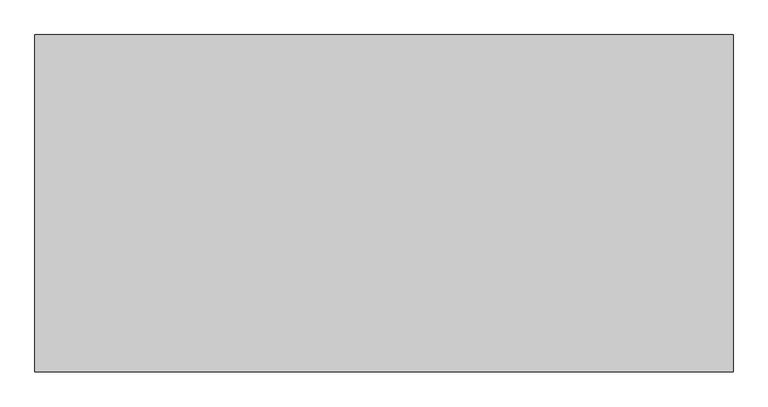
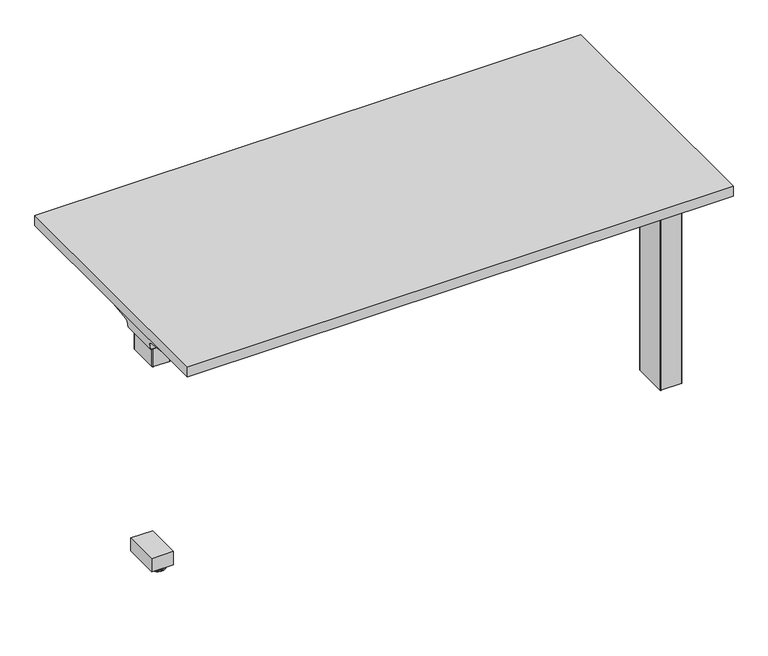
"""IFC4 building model written with IfcOpenShell, lengths in millimetres: furniture geometry."""

from ifc_helpers import new_model, si_unit, point, frame, frame_2d, origin, place, context, project, spatial, polyline, circle_curve, ellipse_curve, trimmed, segment, composite_curve, outline, extrude, faceted_brep, source, transform, mapped, element, save
from ifc_brep_helpers import plane_surface, cylinder_surface, revolved_surface, advanced_brep


def furniture_cd724efb(model_context):
    return source(origin(), model_context, "Body", "SolidModel", [
        advanced_brep(
        [(-696.976, 671.3030475, 10.2361894), (-696.976, 657.2832975, 10.2361894), (-696.976, 657.6704727, 8.7946116), (-696.976, 670.9158723, 8.7946116), (-696.976, 664.2931725, 10.2361894), (-696.976, 685.2500609, 0.0), (-696.976, 643.3362842, 0.0), (-696.976, 664.2931725, 0.0), (-696.976, 686.7937912, 1.5436985), (-696.976, 641.7925538, 1.5436985), (-696.976, 686.7937365, 4.1072626), (-696.976, 641.7926085, 4.1072626), (-696.976, 685.2538961, 5.9174378), (-696.976, 643.3324489, 5.9174378)],
        [
            (0, 1, circle_curve(frame((-696.976, 664.2931725, 10.2361894), z_axis=(0.0, 0.0, -1.0), x_axis=(0.0, -1.0000000000000004, 0.0)), 7.009875)),
            (1, 2),
            (2, 3, circle_curve(frame((-696.976, 664.2931725, 8.7946116), z_axis=(0.0, 0.0, 1.0), x_axis=(0.0, -1.0000000000000004, 0.0)), 6.6226998)),
            (3, 0),
            (1, 0, circle_curve(frame((-696.976, 664.2931725, 10.2361894), z_axis=(0.0, 0.0, -1.0), x_axis=(0.0, -1.0000000000000004, 0.0)), 7.009875)),
            (3, 2, circle_curve(frame((-696.976, 664.2931725, 8.7946116), z_axis=(0.0, 0.0, 1.0), x_axis=(0.0, -1.0000000000000004, 0.0)), 6.6226998)),
            (4, 1),
            (0, 4),
            (5, 6, circle_curve(frame((-696.976, 664.2931725, 0.0), z_axis=(0.0, 0.0, -1.0), x_axis=(0.0, -1.0000000000000004, 0.0)), 20.9568884)),
            (6, 7),
            (7, 5),
            (6, 5, circle_curve(frame((-696.976, 664.2931725, 0.0), z_axis=(0.0, 0.0, -1.0), x_axis=(0.0, -1.0000000000000004, 0.0)), 20.9568884)),
            (8, 9, circle_curve(frame((-696.976, 664.2931725, 1.5436985), z_axis=(0.0, 0.0, -1.0), x_axis=(0.0, -1.0000000000000004, 0.0)), 22.5006187)),
            (9, 6),
            (5, 8),
            (9, 8, circle_curve(frame((-696.976, 664.2931725, 1.5436985), z_axis=(0.0, 0.0, -1.0), x_axis=(0.0, -1.0000000000000004, 0.0)), 22.5006187)),
            (10, 11, circle_curve(frame((-696.976, 664.2931725, 4.1072626), z_axis=(0.0, 0.0, -1.0), x_axis=(0.0, -1.0000000000000004, 0.0)), 22.500564)),
            (11, 9),
            (8, 10),
            (11, 10, circle_curve(frame((-696.976, 664.2931725, 4.1072626), z_axis=(0.0, 0.0, -1.0), x_axis=(0.0, -1.0000000000000004, 0.0)), 22.500564)),
            (12, 13, circle_curve(frame((-696.976, 664.2931725, 5.9174378), z_axis=(0.0, 0.0, -1.0), x_axis=(0.0, -1.0000000000000004, 0.0)), 20.9607236)),
            (13, 11),
            (10, 12),
            (13, 12, circle_curve(frame((-696.976, 664.2931725, 5.9174378), z_axis=(0.0, 0.0, -1.0), x_axis=(0.0, -1.0000000000000004, 0.0)), 20.9607236)),
            (2, 13),
            (12, 3),
        ],
        [
            revolved_surface(polyline([(-696.976, 657.6704727, 8.7946116), (-696.976, 657.2832975, 10.2361894)]), (-696.976, 664.2931725, 0.0), (0.0, 0.0, 1.0)),
            plane_surface(frame((-696.976, 664.2931725, 10.2361894), z_axis=(0.0, 0.0, 1.0), x_axis=(0.0, -1.0, 0.0))),
            plane_surface(frame((-696.976, 664.2931725, 0.0), z_axis=(0.0, 0.0, -1.0), x_axis=(0.0, -1.0, 0.0))),
            revolved_surface(polyline([(-696.976, 643.3362842, 0.0), (-696.976, 641.7925538, 1.5436985)]), (-696.976, 664.2931725, 0.0), (0.0, 0.0, 1.0)),
            cylinder_surface(frame((-696.976, 664.2931725, 0.0), z_axis=(0.0, 0.0, 1.0), x_axis=(0.0, -1.0000000000000004, 0.0)), 22.500564),
            revolved_surface(polyline([(-696.976, 641.792463, 4.1072626), (-696.976, 643.3324489, 5.9174378)]), (-696.976, 664.2931725, 0.0), (0.0, 0.0, 1.0)),
            revolved_surface(polyline([(-696.976, 643.3324489, 5.9174378), (-696.976, 657.6704727, 8.7946116)]), (-696.976, 664.2931725, 0.0), (0.0, 0.0, 1.0)),
        ],
        [
            (0, [[1, 2, 3, 4]]),
            (0, [[5, -4, 6, -2]]),
            (1, [[7, -1, 8]]),
            (1, [[-8, -5, -7]]),
            (2, [[9, 10, 11]]),
            (2, [[12, -11, -10]]),
            (3, [[13, 14, -9, 15]]),
            (3, [[16, -15, -12, -14]]),
            (4, [[17, 18, -13, 19]]),
            (4, [[20, -19, -16, -18]]),
            (5, [[21, 22, -17, 23]]),
            (5, [[24, -23, -20, -22]]),
            (6, [[-3, 25, -21, 26]]),
            (6, [[-6, -26, -24, -25]]),
        ],
    ),
        extrude(outline(polyline([(-667.0675, 738.9199959), (-667.0675, 639.5370001), (-726.8845, 639.5370001), (-726.8845, 738.9199959), (-667.0675, 738.9199959)])), frame((0.0, 0.0, 10.2361894), z_axis=(0.0, 0.0, 1.0), x_axis=(1.0, 0.0, 0.0)), (0.0, 0.0, 1.0), 37.8638679),
        faceted_brep([(551.2773962, 743.2522588, 622.0870648), (551.2773962, 748.3511664, 622.688627), (551.2773962, 753.179578, 624.4650084), (551.2773962, 757.4755731, 627.3308218), (551.2773962, 760.99538, 631.1414904), (551.2773962, 786.0990076, 665.7838526), (551.2773962, 785.360508, 666.3190068), (551.2773962, 760.2568895, 631.6766321), (551.2773962, 756.8835852, 628.0245295), (551.2773962, 752.7663947, 625.2780401), (551.2773962, 748.1389518, 623.5755641), (551.2773962, 743.2522588, 622.9990731), (551.2773962, 593.7736376, 622.9990731), (551.2773962, 588.8869809, 623.5755641), (551.2773962, 584.2595199, 625.2780401), (551.2773962, 580.1423112, 628.0245295), (551.2773962, 576.7689978, 631.6766321), (551.2773962, 551.6028741, 666.4052536), (551.2773962, 528.9092425, 703.1651011), (551.2773962, 527.840388, 703.1651011), (551.2773962, 550.8643926, 665.8701118), (551.2773962, 576.0305164, 631.1414904), (551.2773962, 579.5503324, 627.3308218), (551.2773962, 583.8463275, 624.4650084), (551.2773962, 588.6747573, 622.6885906), (551.2773962, 593.7736376, 622.0870648), (-551.4619573, 743.2522588, 622.0870648), (-551.4619573, 593.7736376, 622.0870648), (-551.4619573, 588.6747573, 622.6885906), (-551.4619573, 583.8463275, 624.4650084), (-551.4619573, 579.5503324, 627.3308218), (-551.4619573, 576.0305164, 631.1414904), (-551.4619573, 550.8643926, 665.8701118), (-551.4619573, 527.0840775, 704.390196), (-551.4619573, 528.1529322, 704.390196), (-551.4619573, 551.6028741, 666.4052536), (-551.4619573, 576.7689978, 631.6766321), (-551.4619573, 580.1423112, 628.0245295), (-551.4619573, 584.2595199, 625.2780401), (-551.4619573, 588.8869809, 623.5755641), (-551.4619573, 593.7736376, 622.9990731), (-551.4619573, 743.2522588, 622.9990731), (-551.4619573, 748.1389518, 623.5755641), (-551.4619573, 752.7663947, 625.2780401), (-551.4619573, 756.8835852, 628.0245295), (-551.4619573, 760.2568895, 631.6766321), (-551.4619573, 785.360508, 666.3190068), (-551.4619573, 786.0990076, 665.7838526), (-551.4619573, 760.99538, 631.1414904), (-551.4619573, 757.4755731, 627.3308218), (-551.4619573, 753.179578, 624.4650084), (-551.4619573, 748.3511664, 622.688627), (-482.0287306, 551.5397869, 666.4923122), (-481.1019993, 551.6028741, 666.4052536), (-477.6673689, 551.8366861, 666.0825989), (-97.8762341, 551.8366861, 666.0825989), (-84.3911169, 552.4282184, 665.266299), (-80.6274527, 553.6086721, 663.6373024), (-76.7784871, 555.4622116, 661.0794643), (-66.2573996, 570.8388091, 639.8601442), (-62.408434, 572.6923486, 637.3023062), (-58.0170596, 574.0696277, 635.4016954), (-53.2522341, 574.9177755, 634.2312727), (-48.2969407, 575.2041425, 633.8360933), (54.4117723, 575.2041425, 633.8360933), (59.3670657, 574.9177755, 634.2312727), (64.1319638, 574.0696277, 635.4016954), (68.5232656, 572.6923486, 637.3023062), (72.3723039, 570.8388091, 639.8601442), (82.8933187, 555.4622116, 661.0794643), (86.742357, 553.6086721, 663.6373024), (92.3919689, 551.8366861, 666.0825989), (480.5231429, 551.8366861, 666.0825989), (483.9577733, 551.6028741, 666.4052536), (484.8845046, 551.5397869, 666.4923122), (489.0142671, 550.8037349, 667.699724), (492.6928943, 549.605542, 669.6405939), (495.725122, 548.0181204, 672.2119486), (515.9901641, 534.6038607, 693.9407822), (518.011625, 533.5455946, 695.6549944), (520.4640916, 532.7467694, 696.9489561), (523.2172666, 532.2498254, 697.7539215), (526.1248653, 532.0812313, 698.0270153), (-523.2690912, 532.0812313, 698.0270153), (-520.3614926, 532.2498254, 697.7539215), (-517.6083176, 532.7467694, 696.9489561), (-515.155851, 533.5455946, 695.6549944), (-513.1343901, 534.6038607, 693.9407822), (-492.869348, 548.0181204, 672.2119486), (-489.8371203, 549.605542, 669.6405939), (-486.1584931, 550.8037349, 667.699724), (526.1248653, 531.0123774, 698.0270153), (523.2172666, 531.1809714, 697.7539215), (520.4640916, 531.6779156, 696.9489561), (518.011625, 532.4767409, 695.6549944), (515.9901641, 533.5350072, 693.9407822), (495.725122, 546.9492694, 672.2119486), (492.6928943, 548.5366913, 669.6405939), (489.0142671, 549.7348843, 667.699724), (484.8845046, 550.4802781, 666.4923122), (480.5231429, 550.7332141, 666.0825989), (92.3919689, 550.7332141, 666.0825989), (91.9010389, 550.8643926, 665.8701118), (-94.3659891, 550.8643926, 665.8701118), (-97.8762341, 550.7332141, 666.0825989), (-477.6673689, 550.7332141, 666.0825989), (-482.0287306, 550.4802781, 666.4923122), (-486.1584931, 549.7348843, 667.699724), (-489.8371203, 548.5366913, 669.6405939), (-492.869348, 546.9492694, 672.2119486), (-513.1343901, 533.5350072, 693.9407822), (-515.155851, 532.4767409, 695.6549944), (-517.6083176, 531.6779156, 696.9489561), (-520.3614926, 531.1809714, 697.7539215), (-523.2690912, 531.0123774, 698.0270153), (86.742357, 552.4823998, 663.6373024), (82.8933187, 554.3359392, 661.0794643), (72.3723039, 569.7125368, 639.8601442), (68.5232656, 571.5660762, 637.3023062), (64.1319638, 572.9433553, 635.4016954), (59.3670657, 573.7915031, 634.2312727), (54.4117723, 574.0778701, 633.8360933), (-48.2969407, 574.0778701, 633.8360933), (-53.2522341, 573.7915031, 634.2312727), (-58.0170596, 572.9433553, 635.4016954), (-62.408434, 571.5660762, 637.3023062), (-66.2573996, 569.7125368, 639.8601442), (-76.7784871, 554.3359392, 661.0794643), (-80.6274527, 552.4823998, 663.6373024), (-84.3911169, 551.3019461, 665.266299)], [[[0, 1, 2, 3, 4, 5, 6, 7, 8, 9, 10, 11, 12, 13, 14, 15, 16, 17, 18, 19, 20, 21, 22, 23, 24, 25]], [[26, 27, 28, 29, 30, 31, 32, 33, 34, 35, 36, 37, 38, 39, 40, 41, 42, 43, 44, 45, 46, 47, 48, 49, 50, 51]], [[1, 0, 26, 51]], [[2, 1, 51, 50]], [[3, 2, 50, 49]], [[4, 3, 49, 48]], [[5, 4, 48, 47]], [[6, 5, 47, 46]], [[7, 6, 46, 45]], [[8, 7, 45, 44]], [[9, 8, 44, 43]], [[10, 9, 43, 42]], [[11, 10, 42, 41]], [[12, 11, 41, 40]], [[13, 12, 40, 39]], [[14, 13, 39, 38]], [[15, 14, 38, 37]], [[16, 15, 37, 36]], [[22, 21, 31, 30]], [[23, 22, 30, 29]], [[24, 23, 29, 28]], [[25, 24, 28, 27]], [[0, 25, 27, 26]], [[17, 16, 36, 35, 52, 53, 54, 55, 56, 57, 58, 59, 60, 61, 62, 63, 64, 65, 66, 67, 68, 69, 70, 71, 72, 73, 74]], [[18, 17, 74, 75, 76, 77, 78, 79, 80, 81, 82]], [[35, 34, 83, 84, 85, 86, 87, 88, 89, 90, 52]], [[20, 19, 91, 92, 93, 94, 95, 96, 97, 98, 99, 100, 101, 102]], [[33, 32, 103, 104, 105, 106, 107, 108, 109, 110, 111, 112, 113, 114]], [[21, 20, 102, 115, 116, 117, 118, 119, 120, 121, 122, 123, 124, 125, 126, 127, 128, 129, 103, 32, 31]], [[100, 72, 71, 101]], [[129, 56, 55, 104, 103]], [[104, 55, 54, 105]], [[105, 54, 53, 52, 106]], [[106, 52, 90, 107]], [[107, 90, 89, 108]], [[108, 89, 88, 109]], [[109, 88, 87, 110]], [[110, 87, 86, 111]], [[111, 86, 85, 112]], [[112, 85, 84, 113]], [[113, 84, 83, 114]], [[91, 82, 81, 92]], [[92, 81, 80, 93]], [[93, 80, 79, 94]], [[94, 79, 78, 95]], [[95, 78, 77, 96]], [[96, 77, 76, 97]], [[97, 76, 75, 98]], [[98, 75, 74, 99]], [[72, 100, 99, 74, 73]], [[101, 71, 70, 115, 102]], [[115, 70, 69, 116]], [[116, 69, 68, 117]], [[117, 68, 67, 118]], [[118, 67, 66, 119]], [[119, 66, 65, 120]], [[120, 65, 64, 121]], [[121, 64, 63, 122]], [[122, 63, 62, 123]], [[123, 62, 61, 124]], [[124, 61, 60, 125]], [[125, 60, 59, 126]], [[126, 59, 58, 127]], [[127, 58, 57, 128]], [[56, 129, 128, 57]], [[114, 83, 34, 33]], [[82, 91, 19, 18]]]),
        extrude(outline(polyline([(-747.776, 434.1876), (-747.776, 1157.3256), (747.776, 1157.3256), (747.776, 434.1876), (-747.776, 434.1876)])), frame((0.0, 0.0, 707.009), z_axis=(0.0, 0.0, 1.0), x_axis=(1.0, 0.0, 0.0)), (0.0, 0.0, 1.0), 29.591),
        advanced_brep(
        [(731.4406297, 635.7959426, 658.5915733), (565.7122138, 635.7959426, 658.5915733), (580.0924181, 638.024396, 655.9442785), (728.9518591, 638.024396, 655.9442785), (731.6625278, 635.7869568, 658.8276054), (734.0619089, 635.1429301, 675.7443054), (551.2773962, 635.1429301, 675.7443054), (551.2773962, 635.4909163, 666.6037253), (554.1075093, 635.572107, 664.4710821), (554.2501644, 635.6497731, 662.4310191), (734.9185362, 629.6758947, 681.7839076), (551.2773962, 629.6758947, 681.7839076), (737.4393767, 515.1046903, 699.5569507), (673.2243442, 515.1046903, 699.5569507), (551.2773962, 595.9094128, 687.0219877), (737.5128152, 511.3286853, 700.0747243), (678.9229255, 511.3286853, 700.0747243), (738.1871296, 509.8184289, 704.8289399), (736.4021288, 512.395324, 707.009), (677.3132011, 512.395324, 707.009), (738.1871296, 868.7919968, 704.8289399), (737.5128152, 867.2817403, 700.0747243), (678.9229255, 867.2817403, 700.0747243), (677.3132011, 866.2151016, 707.009), (736.4021288, 866.2151016, 707.009), (737.4393767, 863.5057353, 699.5569507), (673.2243442, 863.5057353, 699.5569507), (734.9185362, 748.9345309, 681.7839076), (551.2773962, 748.9345309, 681.7839076), (551.2773962, 782.7010128, 687.0219877), (734.0619089, 743.4674955, 675.7443054), (551.2773962, 743.4674955, 675.7443054), (731.6625278, 742.8234688, 658.8276054), (731.4406297, 742.814483, 658.5915733), (565.7122138, 742.814483, 658.5915733), (554.2501644, 742.9606525, 662.4310191), (554.1075093, 743.0383186, 664.4710821), (551.2773962, 743.1195093, 666.6037253), (728.9518591, 740.5860297, 655.9442785), (580.0924181, 740.5860297, 655.9442785), (551.2773962, 782.7010128, 707.009), (551.2773962, 595.9094128, 707.009)],
        [
            (0, 1),
            (1, 2, ellipse_curve(frame((589.9936465, 558.7582119, 750.1086722), z_axis=(0.0, -0.7650318638532659, -0.6439924279750484), x_axis=(0.0, -0.6439924279750484, 0.7650318638532659)), 123.7641411, 94.6835116)),
            (2, 3),
            (3, 0),
            (0, 4),
            (4, 5),
            (5, 6),
            (6, 7),
            (7, 8),
            (8, 9),
            (9, 1, ellipse_curve(frame((589.9936465, 632.3118442, 750.1086722), z_axis=(0.0, -0.999276106683639, -0.038042904873162565), x_axis=(0.0, -0.03804290487316395, 0.999276106683639)), 94.752102, 94.6835116)),
            (5, 10, ellipse_curve(frame((734.0119691, 628.6843719, 675.3922075), z_axis=(0.9900906714849619, 0.0, -0.14042956326378436), x_axis=(0.14042956326378456, 0.0, 0.9900906714849619)), 6.5328852, 6.4681487)),
            (10, 11),
            (11, 6, circle_curve(frame((551.2773962, 628.6843719, 675.3922075), z_axis=(-1.0, 0.0, 0.0), x_axis=(0.0, -1.0000000000000004, 0.0)), 6.4681487)),
            (10, 12),
            (12, 13),
            (13, 14),
            (14, 11),
            (12, 15),
            (15, 16),
            (16, 13),
            (15, 17, ellipse_curve(frame((737.9730772, 513.3058017, 703.3197755), z_axis=(-0.9900906714849619, 0.0, 0.14042956326378436), x_axis=(-0.14042956326378456, 0.0, -0.9900906714849619)), 3.8379455, 3.7999141)),
            (17, 18, ellipse_curve(frame((739.422811, 513.3058017, 703.3197755), z_axis=(-0.7737284588432122, 0.0, -0.6335173809581768), x_axis=(-0.6335173809581769, 0.0, 0.7737284588432121)), 4.9111727, 3.7999141)),
            (18, 19),
            (19, 16, ellipse_curve(frame((675.939148, 513.3058017, 703.3197755), z_axis=(0.5523637579768934, 0.8336031902971845, 0.0), x_axis=(-0.8336031902971844, 0.5523637579768934, 0.0)), 6.8793689, 3.7999141)),
            (20, 21, ellipse_curve(frame((737.9730772, 865.3046239, 703.3197755), z_axis=(-0.9900906714849619, 0.0, 0.14042956326378436), x_axis=(-0.14042956326378456, 0.0, -0.9900906714849619)), 3.8379455, 3.7999141)),
            (21, 22),
            (22, 23, ellipse_curve(frame((675.939148, 865.3046239, 703.3197755), z_axis=(0.5523637579749596, -0.833603190298466, 0.0), x_axis=(-0.8336031902984657, -0.5523637579749597, 0.0)), 6.8793689, 3.7999141)),
            (23, 24),
            (24, 20, ellipse_curve(frame((739.422811, 865.3046239, 703.3197755), z_axis=(-0.7737284588432122, 0.0, -0.6335173809581768), x_axis=(-0.6335173809581769, 0.0, 0.7737284588432121)), 4.9111727, 3.7999141)),
            (21, 25),
            (25, 26),
            (26, 22),
            (27, 28),
            (28, 29),
            (29, 26),
            (25, 27),
            (27, 30, ellipse_curve(frame((734.0119691, 749.9260537, 675.3922075), z_axis=(0.9900906714849619, 0.0, -0.14042956326378436), x_axis=(0.14042956326378456, 0.0, 0.9900906714849619)), 6.5328852, 6.4681487)),
            (30, 31),
            (31, 28, circle_curve(frame((551.2773962, 749.9260537, 675.3922075), z_axis=(-1.0, 0.0, 0.0), x_axis=(0.0, -1.0000000000000004, 0.0)), 6.4681487)),
            (30, 32),
            (32, 33),
            (33, 34),
            (34, 35, ellipse_curve(frame((589.9936465, 746.2985814, 750.1086722), z_axis=(0.0, 0.9992761066836363, -0.0380429048732354), x_axis=(0.0, -0.0380429048732312, -0.9992761066836363)), 94.752102, 94.6835116)),
            (35, 36),
            (36, 37),
            (37, 31),
            (33, 38),
            (38, 39),
            (39, 34, ellipse_curve(frame((589.9936465, 819.8522137, 750.1086722), z_axis=(0.0, 0.7650318638534731, -0.6439924279748023), x_axis=(0.0, -0.6439924279748023, -0.765031863853473)), 123.7641411, 94.6835116)),
            (4, 32),
            (20, 17),
            (24, 18),
            (23, 40),
            (40, 41),
            (41, 19),
            (37, 7),
            (14, 41),
            (40, 29),
            (36, 8),
            (35, 9),
            (39, 2),
            (38, 3),
        ],
        [
            plane_surface(frame((754.4773962, 638.024396, 655.9442785), z_axis=(0.0, -0.7650318638532659, -0.6439924279750484), x_axis=(-1.0, 0.0, 0.0))),
            plane_surface(frame((754.4773962, 635.7959426, 658.5915733), z_axis=(0.0, -0.999276106683639, -0.038042904873162565), x_axis=(-1.0, 0.0, 0.0))),
            revolved_surface(polyline([(734.9293793154884, 622.2162232, 675.3922075), (551.2773961999999, 622.2162232, 675.3922075)]), (754.4773962, 628.6843719, 675.3922075), (1.0000000000000004, 0.0, 0.0)),
            plane_surface(frame((754.4773962, 629.6758947, 681.7839076), z_axis=(0.0, -0.15329313587139595, -0.9881807600306302), x_axis=(-1.0, 0.0, 0.0))),
            plane_surface(frame((754.4773962, 515.1046903, 699.5569507), z_axis=(0.0, -0.13585085469026897, -0.9907292996979162), x_axis=(-1.0, 0.0, 0.0))),
            cylinder_surface(frame((754.4773962, 513.3058017, 703.3197755), z_axis=(-1.0000000000000004, 0.0, 0.0), x_axis=(0.0, -1.0000000000000004, 0.0)), 3.7999141),
            cylinder_surface(frame((754.4773962, 865.3046239, 703.3197755), z_axis=(-1.0000000000000004, 0.0, 0.0), x_axis=(0.0, -1.0000000000000004, 0.0)), 3.7999141),
            plane_surface(frame((754.4773962, 867.2817403, 700.0747243), z_axis=(0.0, 0.135850854687912, -0.9907292996982394), x_axis=(-1.0, 0.0, 0.0))),
            plane_surface(frame((754.4773962, 863.5057353, 699.5569507), z_axis=(0.0, 0.15329313587140656, -0.9881807600306285), x_axis=(-1.0, 0.0, 0.0))),
            revolved_surface(polyline([(734.9293793154884, 743.457905, 675.3922075), (551.2773961999999, 743.457905, 675.3922075)]), (754.4773962, 749.9260537, 675.3922075), (1.0000000000000004, 0.0, 0.0)),
            plane_surface(frame((754.4773962, 743.4674955, 675.7443054), z_axis=(0.0, 0.9992761066836363, -0.0380429048732354), x_axis=(-1.0, 0.0, 0.0))),
            plane_surface(frame((754.4773962, 742.814483, 658.5915733), z_axis=(0.0, 0.7650318638534731, -0.6439924279748023), x_axis=(-1.0, 0.0, 0.0))),
            plane_surface(frame((731.6625278, 498.8052128, 658.8276054), z_axis=(0.9900906714849619, 0.0, -0.14042956326378436), x_axis=(0.0, 1.0, 0.0))),
            plane_surface(frame((738.1871296, 498.8052128, 704.8289399), z_axis=(0.7737284588432122, 0.0, 0.6335173809581768), x_axis=(0.0, 1.0, 0.0))),
            plane_surface(frame((736.4021288, 498.8052128, 707.009), z_axis=(0.0, 0.0, 1.0), x_axis=(0.0, 1.0, 0.0))),
            plane_surface(frame((551.2773962, 498.8052128, 707.009), z_axis=(-1.0, 0.0, 0.0), x_axis=(0.0, 1.0, 0.0))),
            plane_surface(frame((551.2773962, 498.8052128, 666.6037253), z_axis=(-0.6018150231516274, 0.0, -0.79863551004761), x_axis=(0.0, 1.0, 0.0))),
            plane_surface(frame((554.1075093, 498.8052128, 664.4710821), z_axis=(-0.9975640502599595, 0.0, -0.06975647374219096), x_axis=(0.0, 1.0, 0.0))),
            cylinder_surface(frame((589.9936465, 498.8052128, 750.1086722), z_axis=(0.0, -1.0000000000000004, 0.0), x_axis=(-1.0000000000000004, 0.0, 0.0)), 94.6835116),
            plane_surface(frame((580.0924181, 498.8052128, 655.9442785), z_axis=(0.0, 0.0, -1.0), x_axis=(0.0, 1.0, 0.0))),
            plane_surface(frame((728.9518591, 498.8052128, 655.9442785), z_axis=(0.7285846064197381, 0.0, -0.6849558170336212), x_axis=(0.0, 1.0, 0.0))),
            plane_surface(frame((697.8228017, 498.8052128, 707.009), z_axis=(-0.5523637579768934, -0.8336031902971845, 0.0), x_axis=(0.0, 0.0, -1.0))),
            plane_surface(frame((551.2773962, 782.7010128, 707.009), z_axis=(-0.5523637579749596, 0.833603190298466, 0.0), x_axis=(0.0, 0.0, -1.0))),
        ],
        [
            (0, [[1, 2, 3, 4]]),
            (1, [[-1, 5, 6, 7, 8, 9, 10, 11]]),
            (2, [[-7, 12, 13, 14]]),
            (3, [[-13, 15, 16, 17, 18]]),
            (4, [[19, 20, 21, -16]]),
            (5, [[22, 23, 24, 25, -20]]),
            (6, [[26, 27, 28, 29, 30]]),
            (7, [[31, 32, 33, -27]]),
            (8, [[34, 35, 36, -32, 37]]),
            (9, [[-34, 38, 39, 40]]),
            (10, [[-39, 41, 42, 43, 44, 45, 46, 47]]),
            (11, [[-43, 48, 49, 50]]),
            (12, [[51, -41, -38, -37, -31, -26, 52, -22, -19, -15, -12, -6]]),
            (13, [[-52, -30, 53, -23]]),
            (14, [[-53, -29, 54, 55, 56, -24]]),
            (15, [[57, -8, -14, -18, 58, -55, 59, -35, -40, -47]]),
            (16, [[-57, -46, 60, -9]]),
            (17, [[-60, -45, 61, -10]]),
            (18, [[-61, -44, -50, 62, -2, -11]]),
            (19, [[-62, -49, 63, -3]]),
            (20, [[-51, -5, -4, -63, -48, -42]]),
            (21, [[-56, -58, -17, -21, -25]]),
            (22, [[-54, -28, -33, -36, -59]]),
        ],
    ),
        advanced_brep(
        [(-565.7122138, 635.7959426, 658.5915733), (-731.4406297, 635.7959426, 658.5915733), (-728.9518591, 638.024396, 655.9442785), (-580.0924181, 638.024396, 655.9442785), (-554.2501644, 635.6497731, 662.4310191), (-554.1075093, 635.572107, 664.4710821), (-551.4619573, 635.496211, 666.4646485), (-551.4619573, 635.1429301, 675.7443054), (-734.0619089, 635.1429301, 675.7443054), (-731.6625278, 635.7869568, 658.8276054), (-551.4619573, 629.6758947, 681.7839076), (-734.9185362, 629.6758947, 681.7839076), (-551.4619573, 595.9162175, 687.0209321), (-673.2570453, 515.1046903, 699.5569507), (-737.4393767, 515.1046903, 699.5569507), (-737.5128152, 511.3286853, 700.0747243), (-678.9480509, 511.3286853, 700.0747243), (-738.1871296, 509.8184289, 704.8289399), (-677.3404665, 512.395324, 707.009), (-736.4021288, 512.395324, 707.009), (-737.5128152, 867.2817403, 700.0747243), (-738.1871296, 868.7919968, 704.8289399), (-736.4021288, 866.2151016, 707.009), (-677.3404665, 866.2151016, 707.009), (-678.9480509, 867.2817403, 700.0747243), (-737.4393767, 863.5057353, 699.5569507), (-673.2570453, 863.5057353, 699.5569507), (-551.4619573, 748.9345309, 681.7839076), (-734.9185362, 748.9345309, 681.7839076), (-551.4619573, 782.6942081, 687.0209321), (-551.4619573, 743.4674955, 675.7443054), (-734.0619089, 743.4674955, 675.7443054), (-551.4619573, 743.1142146, 666.4646485), (-554.1075093, 743.0383186, 664.4710821), (-554.2501644, 742.9606525, 662.4310191), (-565.7122138, 742.814483, 658.5915733), (-731.4406297, 742.814483, 658.5915733), (-731.6625278, 742.8234688, 658.8276054), (-580.0924181, 740.5860297, 655.9442785), (-728.9518591, 740.5860297, 655.9442785), (-551.4619573, 595.9162175, 707.009), (-551.4619573, 782.6942081, 707.009)],
        [
            (0, 1),
            (1, 2),
            (2, 3),
            (3, 0, ellipse_curve(frame((-589.9936465, 558.7582119, 750.1086722), z_axis=(0.0, -0.7650318638532563, -0.6439924279750598), x_axis=(0.0, 0.64399242797506, -0.7650318638532563)), 123.7641411, 94.6835116)),
            (0, 4, ellipse_curve(frame((-589.9936465, 632.3118442, 750.1086722), z_axis=(0.0, -0.9992761066836392, -0.03804290487315863), x_axis=(0.0, 0.038042904873156216, -0.9992761066836392)), 94.752102, 94.6835116)),
            (4, 5),
            (5, 6),
            (6, 7),
            (7, 8),
            (8, 9),
            (9, 1),
            (7, 10, circle_curve(frame((-551.4619573, 628.6843719, 675.3922075), z_axis=(1.0, 0.0, 0.0), x_axis=(0.0, -1.0000000000000004, 0.0)), 6.4681487)),
            (10, 11),
            (11, 8, ellipse_curve(frame((-734.0119691, 628.6843719, 675.3922075), z_axis=(-0.9900906714849659, 0.0, -0.14042956326375675), x_axis=(0.14042956326375614, 0.0, -0.990090671484966)), 6.5328852, 6.4681487)),
            (10, 12),
            (12, 13),
            (13, 14),
            (14, 11),
            (15, 14),
            (13, 16),
            (16, 15),
            (17, 15, ellipse_curve(frame((-737.9730772, 513.3058017, 703.3197755), z_axis=(0.9900906714849659, 0.0, 0.14042956326375675), x_axis=(-0.14042956326375614, 0.0, 0.990090671484966)), 3.8379455, 3.7999141)),
            (16, 18, ellipse_curve(frame((-675.96824, 513.3058017, 703.3197755), z_axis=(-0.5528743936295184, 0.8332646067539367, 0.0), x_axis=(-0.8332646067539364, -0.5528743936295185, 0.0)), 6.8730151, 3.7999141)),
            (18, 19),
            (19, 17, ellipse_curve(frame((-739.422811, 513.3058017, 703.3197755), z_axis=(0.7737284588399557, 0.0, -0.6335173809621544), x_axis=(-0.6335173809621537, 0.0, -0.7737284588399559)), 4.9111727, 3.7999141)),
            (20, 21, ellipse_curve(frame((-737.9730772, 865.3046239, 703.3197755), z_axis=(0.9900906714849659, 0.0, 0.14042956326375675), x_axis=(-0.14042956326375614, 0.0, 0.990090671484966)), 3.8379455, 3.7999141)),
            (21, 22, ellipse_curve(frame((-739.422811, 865.3046239, 703.3197755), z_axis=(0.7737284588399557, 0.0, -0.6335173809621544), x_axis=(-0.6335173809621537, 0.0, -0.7737284588399559)), 4.9111727, 3.7999141)),
            (22, 23),
            (23, 24, ellipse_curve(frame((-675.96824, 865.3046239, 703.3197755), z_axis=(-0.5528743936295097, -0.8332646067539423, 0.0), x_axis=(-0.8332646067539422, 0.5528743936295099, 0.0)), 6.8730151, 3.7999141)),
            (24, 20),
            (25, 20),
            (24, 26),
            (26, 25),
            (27, 28),
            (28, 25),
            (26, 29),
            (29, 27),
            (27, 30, circle_curve(frame((-551.4619573, 749.9260537, 675.3922075), z_axis=(1.0, 0.0, 0.0), x_axis=(0.0, -1.0000000000000004, 0.0)), 6.4681487)),
            (30, 31),
            (31, 28, ellipse_curve(frame((-734.0119691, 749.9260537, 675.3922075), z_axis=(-0.9900906714849659, 0.0, -0.14042956326375675), x_axis=(0.14042956326375614, 0.0, -0.990090671484966)), 6.5328852, 6.4681487)),
            (30, 32),
            (32, 33),
            (33, 34),
            (34, 35, ellipse_curve(frame((-589.9936465, 746.2985814, 750.1086722), z_axis=(0.0, 0.9992761066836363, -0.0380429048732354), x_axis=(0.0, 0.0380429048732312, 0.9992761066836363)), 94.752102, 94.6835116)),
            (35, 36),
            (36, 37),
            (37, 31),
            (35, 38, ellipse_curve(frame((-589.9936465, 819.8522137, 750.1086722), z_axis=(0.0, 0.7650318638534731, -0.6439924279748023), x_axis=(0.0, 0.6439924279748023, 0.765031863853473)), 123.7641411, 94.6835116)),
            (38, 39),
            (39, 36),
            (37, 9),
            (17, 21),
            (19, 22),
            (18, 40),
            (40, 41),
            (41, 23),
            (6, 32),
            (29, 41),
            (40, 12),
            (5, 33),
            (4, 34),
            (3, 38),
            (2, 39),
        ],
        [
            plane_surface(frame((-551.4619573, 638.024396, 655.9442785), z_axis=(0.0, -0.7650318638532563, -0.6439924279750598), x_axis=(-1.0, 0.0, 0.0))),
            plane_surface(frame((-551.4619573, 635.7959426, 658.5915733), z_axis=(0.0, -0.9992761066836392, -0.03804290487315863), x_axis=(-1.0, 0.0, 0.0))),
            revolved_surface(polyline([(-551.4619573, 622.2162232, 675.3922075), (-734.9293793154884, 622.2162232, 675.3922075)]), (-551.4619573, 628.6843719, 675.3922075), (1.0000000000000004, 0.0, 0.0)),
            plane_surface(frame((-551.4619573, 629.6758947, 681.7839076), z_axis=(0.0, -0.15329313587140303, -0.988180760030629), x_axis=(-1.0, 0.0, 0.0))),
            plane_surface(frame((-551.4619573, 515.1046903, 699.5569507), z_axis=(0.0, -0.13585085469008154, -0.9907292996979419), x_axis=(-1.0, 0.0, 0.0))),
            cylinder_surface(frame((-551.4619573, 513.3058017, 703.3197755), z_axis=(-1.0000000000000004, 0.0, 0.0), x_axis=(0.0, -1.0000000000000004, 0.0)), 3.7999141),
            cylinder_surface(frame((-551.4619573, 865.3046239, 703.3197755), z_axis=(-1.0000000000000004, 0.0, 0.0), x_axis=(0.0, -1.0000000000000004, 0.0)), 3.7999141),
            plane_surface(frame((-551.4619573, 867.2817403, 700.0747243), z_axis=(0.0, 0.13585085468777755, -0.9907292996982578), x_axis=(-1.0, 0.0, 0.0))),
            plane_surface(frame((-551.4619573, 863.5057353, 699.5569507), z_axis=(0.0, 0.15329313587141108, -0.9881807600306277), x_axis=(-1.0, 0.0, 0.0))),
            revolved_surface(polyline([(-551.4619573, 743.457905, 675.3922075), (-734.9293793154884, 743.457905, 675.3922075)]), (-551.4619573, 749.9260537, 675.3922075), (1.0000000000000004, 0.0, 0.0)),
            plane_surface(frame((-551.4619573, 743.4674955, 675.7443054), z_axis=(0.0, 0.9992761066836363, -0.0380429048732354), x_axis=(-1.0, 0.0, 0.0))),
            plane_surface(frame((-551.4619573, 742.814483, 658.5915733), z_axis=(0.0, 0.7650318638534731, -0.6439924279748023), x_axis=(-1.0, 0.0, 0.0))),
            plane_surface(frame((-731.6625278, 879.8052128, 658.8276054), z_axis=(-0.9900906714849659, 0.0, -0.14042956326375675), x_axis=(0.0, -1.0, 0.0))),
            plane_surface(frame((-738.1871296, 879.8052128, 704.8289399), z_axis=(-0.7737284588399554, 0.0, 0.6335173809621543), x_axis=(0.0, -1.0, 0.0))),
            plane_surface(frame((-736.4021288, 879.8052128, 707.009), z_axis=(0.0, 0.0, 1.0), x_axis=(0.0, -1.0, 0.0))),
            plane_surface(frame((-551.4619573, 879.8052128, 707.009), z_axis=(1.0, 0.0, 0.0), x_axis=(0.0, -1.0, 0.0))),
            plane_surface(frame((-551.4619573, 879.8052128, 666.4646485), z_axis=(0.6018150231540824, 0.0, -0.79863551004576), x_axis=(0.0, -1.0, 0.0))),
            plane_surface(frame((-554.1075093, 879.8052128, 664.4710821), z_axis=(0.9975640502598242, 0.0, -0.069756473744127), x_axis=(0.0, -1.0, 0.0))),
            cylinder_surface(frame((-589.9936465, 879.8052128, 750.1086722), z_axis=(0.0, 1.0000000000000004, 0.0), x_axis=(1.0000000000000004, 0.0, 0.0)), 94.6835116),
            plane_surface(frame((-580.0924181, 879.8052128, 655.9442785), z_axis=(0.0, 0.0, -1.0), x_axis=(0.0, -1.0, 0.0))),
            plane_surface(frame((-728.9518591, 879.8052128, 655.9442785), z_axis=(-0.7285846064222695, 0.0, -0.6849558170309287), x_axis=(0.0, -1.0, 0.0))),
            plane_surface(frame((-551.4619573, 595.9162175, 707.009), z_axis=(0.5528743936295184, -0.8332646067539367, 0.0), x_axis=(0.0, 0.0, -1.0))),
            plane_surface(frame((-697.8228017, 879.8052128, 707.009), z_axis=(0.5528743936295097, 0.8332646067539423, 0.0), x_axis=(0.0, 0.0, -1.0))),
        ],
        [
            (0, [[1, 2, 3, 4]]),
            (1, [[-1, 5, 6, 7, 8, 9, 10, 11]]),
            (2, [[-9, 12, 13, 14]]),
            (3, [[-13, 15, 16, 17, 18]]),
            (4, [[19, -17, 20, 21]]),
            (5, [[22, -21, 23, 24, 25]]),
            (6, [[26, 27, 28, 29, 30]]),
            (7, [[31, -30, 32, 33]]),
            (8, [[34, 35, -33, 36, 37]]),
            (9, [[-34, 38, 39, 40]]),
            (10, [[-39, 41, 42, 43, 44, 45, 46, 47]]),
            (11, [[-45, 48, 49, 50]]),
            (12, [[51, -10, -14, -18, -19, -22, 52, -26, -31, -35, -40, -47]]),
            (13, [[-52, -25, 53, -27]]),
            (14, [[-53, -24, 54, 55, 56, -28]]),
            (15, [[57, -41, -38, -37, 58, -55, 59, -15, -12, -8]]),
            (16, [[-57, -7, 60, -42]]),
            (17, [[-60, -6, 61, -43]]),
            (18, [[-61, -5, -4, 62, -48, -44]]),
            (19, [[-62, -3, 63, -49]]),
            (20, [[-51, -46, -50, -63, -2, -11]]),
            (21, [[-54, -23, -20, -16, -59]]),
            (22, [[-56, -58, -36, -32, -29]]),
        ],
    ),
        advanced_brep(
        [(551.2773962, 610.6220432, 701.7794894), (551.2773962, 608.8576886, 704.0075511), (551.2773962, 597.8770903, 704.0075511), (551.2773962, 597.1469209, 701.4093085), (551.2773962, 618.573302, 671.8462148), (551.2773962, 635.9741214, 663.2452863), (551.2773962, 742.7619972, 663.2452863), (551.2773962, 760.3897911, 672.2997482), (551.2773962, 781.724499, 702.0706054), (551.2773962, 780.0859362, 704.1266572), (551.2773962, 769.870803, 704.1266572), (551.2773962, 767.999828, 701.7794894), (551.2773962, 768.7410491, 701.2423822), (551.2773962, 770.3112765, 703.2122572), (551.2773962, 779.989889, 703.2122572), (551.2773962, 780.7957777, 702.3444366), (551.2773962, 759.6465384, 672.8323858), (551.2773962, 742.7619972, 664.1598536), (551.2773962, 635.9741214, 664.1596863), (551.2773962, 619.3067728, 672.3923713), (551.2773962, 597.9530501, 701.8552144), (551.2773962, 598.2103186, 703.0931511), (551.2773962, 608.4154038, 703.0931511), (551.2773962, 609.8809409, 701.2424419), (-551.4619573, 610.6220432, 701.7794894), (-551.4619573, 609.8809409, 701.2424419), (-551.4619573, 608.4154038, 703.0931511), (-551.4619573, 598.2103186, 703.0931511), (-551.4619573, 597.9530501, 701.8552144), (-551.4619573, 619.3067728, 672.3923713), (-551.4619573, 635.9741214, 664.1596863), (-551.4619573, 742.7619973, 664.1596863), (-551.4619573, 759.6465384, 672.8323858), (-551.4619573, 780.7957777, 702.3444366), (-551.4619573, 779.989889, 703.2122572), (-551.4619573, 770.3112765, 703.2122572), (-551.4619573, 768.7410491, 701.2423822), (-551.4619573, 767.999828, 701.7794894), (-551.4619573, 769.870803, 704.1266572), (-551.4619573, 780.0859362, 704.1266572), (-551.4619573, 781.724499, 702.0706054), (-551.4619573, 760.3897911, 672.2997482), (-551.4619573, 742.7619972, 663.2454536), (-551.4619573, 635.9741214, 663.2452863), (-551.4619573, 618.573302, 671.8462148), (-551.4619573, 597.1469209, 701.4093085), (-551.4619573, 597.8770903, 704.0075511), (-551.4619573, 608.8576886, 704.0075511)],
        [
            (0, 1),
            (1, 2),
            (2, 3, circle_curve(frame((551.2773962, 599.0946552, 702.2636667), z_axis=(1.0, 0.0, 0.0), x_axis=(0.0, -1.0000000000000004, 0.0)), 2.1268749)),
            (3, 4),
            (4, 5, circle_curve(frame((551.2773962, 635.9741214, 685.1478336), z_axis=(1.0, 0.0, 0.0), x_axis=(0.0, -1.0000000000000004, 0.0)), 21.9025472)),
            (5, 6),
            (6, 7, circle_curve(frame((551.2773962, 742.7619972, 684.932365), z_axis=(1.0, 0.0, 0.0), x_axis=(0.0, -1.0000000000000004, 0.0)), 21.6869114)),
            (7, 8),
            (8, 9, circle_curve(frame((551.2773962, 779.7241493, 702.1573833), z_axis=(1.0, 0.0, 0.0), x_axis=(0.0, -1.0000000000000004, 0.0)), 2.0022311)),
            (9, 10),
            (10, 11),
            (11, 12),
            (12, 13),
            (13, 14),
            (14, 15, circle_curve(frame((551.2773962, 779.7241493, 702.1573833), z_axis=(-1.0, 0.0, 0.0), x_axis=(0.0, -1.0000000000000004, 0.0)), 1.0878311)),
            (15, 16),
            (16, 17, circle_curve(frame((551.2773962, 742.7619972, 684.932365), z_axis=(-1.0, 0.0, 0.0), x_axis=(0.0, -1.0000000000000004, 0.0)), 20.7725114)),
            (17, 18),
            (18, 19, circle_curve(frame((551.2773962, 635.9741214, 685.1478336), z_axis=(-1.0, 0.0, 0.0), x_axis=(0.0, -1.0000000000000004, 0.0)), 20.9881473)),
            (19, 20),
            (20, 21, circle_curve(frame((551.2773962, 599.0946552, 702.2636667), z_axis=(-1.0, 0.0, 0.0), x_axis=(0.0, -1.0000000000000004, 0.0)), 1.2124749)),
            (21, 22),
            (22, 23),
            (23, 0),
            (24, 25),
            (25, 26),
            (26, 27),
            (27, 28, circle_curve(frame((-551.4619573, 599.0946552, 702.2636667), z_axis=(1.0, 0.0, 0.0), x_axis=(0.0, -1.0000000000000004, 0.0)), 1.2124749)),
            (28, 29),
            (29, 30, circle_curve(frame((-551.4619573, 635.9741214, 685.1478336), z_axis=(1.0, 0.0, 0.0), x_axis=(0.0, -1.0000000000000004, 0.0)), 20.9881473)),
            (30, 31),
            (31, 32, circle_curve(frame((-551.4619573, 742.7619972, 684.932365), z_axis=(1.0, 0.0, 0.0), x_axis=(0.0, -1.0000000000000004, 0.0)), 20.7725114)),
            (32, 33),
            (33, 34, circle_curve(frame((-551.4619573, 779.7241493, 702.1573833), z_axis=(1.0, 0.0, 0.0), x_axis=(0.0, -1.0000000000000004, 0.0)), 1.0878311)),
            (34, 35),
            (35, 36),
            (36, 37),
            (37, 38),
            (38, 39),
            (39, 40, circle_curve(frame((-551.4619573, 779.7241493, 702.1573833), z_axis=(-1.0, 0.0, 0.0), x_axis=(0.0, -1.0000000000000004, 0.0)), 2.0022311)),
            (40, 41),
            (41, 42, circle_curve(frame((-551.4619573, 742.7619972, 684.932365), z_axis=(-1.0, 0.0, 0.0), x_axis=(0.0, -1.0000000000000004, 0.0)), 21.6869114)),
            (42, 43),
            (43, 44, circle_curve(frame((-551.4619573, 635.9741214, 685.1478336), z_axis=(-1.0, 0.0, 0.0), x_axis=(0.0, -1.0000000000000004, 0.0)), 21.9025472)),
            (44, 45),
            (45, 46, circle_curve(frame((-551.4619573, 599.0946552, 702.2636667), z_axis=(-1.0, 0.0, 0.0), x_axis=(0.0, -1.0000000000000004, 0.0)), 2.1268749)),
            (46, 47),
            (47, 24),
            (0, 24),
            (47, 1),
            (46, 2),
            (45, 3),
            (44, 4),
            (43, 5),
            (42, 6),
            (41, 7),
            (40, 8),
            (39, 9),
            (38, 10),
            (37, 11),
            (36, 12),
            (35, 13),
            (34, 14),
            (33, 15),
            (32, 16),
            (31, 17),
            (30, 18),
            (29, 19),
            (28, 20),
            (27, 21),
            (26, 22),
            (25, 23),
        ],
        [
            plane_surface(frame((551.2773962, 689.3052128, 707.009), z_axis=(1.0, 0.0, 0.0), x_axis=(0.0, 0.0, 1.0))),
            plane_surface(frame((-551.4619573, 689.3052128, 707.009), z_axis=(-1.0, 0.0, 0.0), x_axis=(0.0, 0.0, 1.0))),
            plane_surface(frame((551.2773962, 610.6220432, 701.7794894), z_axis=(0.0, 0.7839649337165056, 0.6208051084703435), x_axis=(-1.0, 0.0, 0.0))),
            plane_surface(frame((551.2773962, 608.8576886, 704.0075511), z_axis=(0.0, 0.0, 1.0), x_axis=(-1.0, 0.0, 0.0))),
            cylinder_surface(frame((551.2773962, 599.0946552, 702.2636667), z_axis=(1.0000000000000004, 0.0, 0.0), x_axis=(0.0, -1.0000000000000004, 0.0)), 2.1268749),
            plane_surface(frame((551.2773962, 597.1469209, 701.4093085), z_axis=(0.0, -0.8096997445281036, -0.5868443777622171), x_axis=(-1.0, 0.0, 0.0))),
            cylinder_surface(frame((551.2773962, 635.9741214, 685.1478336), z_axis=(1.0000000000000004, 0.0, 0.0), x_axis=(0.0, -1.0000000000000004, 0.0)), 21.9025472),
            plane_surface(frame((551.2773962, 635.9741214, 663.2452863), z_axis=(0.0, 0.0, -1.0), x_axis=(-1.0, 0.0, 0.0))),
            cylinder_surface(frame((551.2773962, 742.7619972, 684.932365), z_axis=(1.0000000000000004, 0.0, 0.0), x_axis=(0.0, -1.0000000000000004, 0.0)), 21.6869114),
            plane_surface(frame((551.2773962, 760.3897911, 672.2997482), z_axis=(0.0, 0.8128309997561537, -0.5824995844079307), x_axis=(-1.0, 0.0, 0.0))),
            cylinder_surface(frame((551.2773962, 779.7241493, 702.1573833), z_axis=(1.0000000000000004, 0.0, 0.0), x_axis=(0.0, -1.0000000000000004, 0.0)), 2.0022311),
            plane_surface(frame((551.2773962, 780.0859362, 704.1266572), z_axis=(0.0, 0.0, 1.0), x_axis=(-1.0, 0.0, 0.0))),
            plane_surface(frame((551.2773962, 769.870803, 704.1266572), z_axis=(0.0, -0.781966058723797, 0.6233210112004658), x_axis=(-1.0, 0.0, 0.0))),
            plane_surface(frame((551.2773962, 767.999828, 701.7794894), z_axis=(0.0, -0.5867684336468094, -0.8097547809526473), x_axis=(-1.0, 0.0, 0.0))),
            plane_surface(frame((551.2773962, 768.7410491, 701.2423822), z_axis=(0.0, 0.7819660587239203, -0.623321011200311), x_axis=(-1.0, 0.0, 0.0))),
            plane_surface(frame((551.2773962, 770.3112765, 703.2122572), z_axis=(0.0, 0.0, -1.0), x_axis=(-1.0, 0.0, 0.0))),
            revolved_surface(polyline([(-551.461957300001, 778.6363182, 702.1573833), (551.2773962, 778.6363182, 702.1573833)]), (551.2773962, 779.7241493, 702.1573833), (-1.0000000000000004, 0.0, 0.0)),
            plane_surface(frame((551.2773962, 780.7957777, 702.3444366), z_axis=(0.0, -0.8128309996716102, 0.5824995845259042), x_axis=(-1.0, 0.0, 0.0))),
            revolved_surface(polyline([(-551.461957300001, 721.9894858, 684.932365), (551.2773962, 721.9894858, 684.932365)]), (551.2773962, 742.7619972, 684.932365), (-1.0000000000000004, 0.0, 0.0)),
            plane_surface(frame((551.2773962, 742.7619973, 664.1596863), z_axis=(0.0, 0.0, 1.0), x_axis=(-1.0, 0.0, 0.0))),
            revolved_surface(polyline([(-551.461957300001, 614.9859740999999, 685.1478336), (551.2773962, 614.9859740999999, 685.1478336)]), (551.2773962, 635.9741214, 685.1478336), (-1.0000000000000004, 0.0, 0.0)),
            plane_surface(frame((551.2773962, 619.3067728, 672.3923713), z_axis=(0.0, 0.8096997449536105, 0.5868443771751229), x_axis=(-1.0, 0.0, 0.0))),
            revolved_surface(polyline([(-551.461957300001, 597.8821803000001, 702.2636667), (551.2773962, 597.8821803000001, 702.2636667)]), (551.2773962, 599.0946552, 702.2636667), (-1.0000000000000004, 0.0, 0.0)),
            plane_surface(frame((551.2773962, 598.2103186, 703.0931511), z_axis=(0.0, 0.0, -1.0), x_axis=(-1.0, 0.0, 0.0))),
            plane_surface(frame((551.2773962, 608.4154038, 703.0931511), z_axis=(0.0, -0.7839649337164977, -0.6208051084703534), x_axis=(-1.0, 0.0, 0.0))),
            plane_surface(frame((551.2773962, 609.8809409, 701.2424419), z_axis=(0.0, 0.5867873637752552, -0.8097410633737715), x_axis=(-1.0, 0.0, 0.0))),
        ],
        [
            (0, [[1, 2, 3, 4, 5, 6, 7, 8, 9, 10, 11, 12, 13, 14, 15, 16, 17, 18, 19, 20, 21, 22, 23, 24]]),
            (1, [[25, 26, 27, 28, 29, 30, 31, 32, 33, 34, 35, 36, 37, 38, 39, 40, 41, 42, 43, 44, 45, 46, 47, 48]]),
            (2, [[-1, 49, -48, 50]]),
            (3, [[-2, -50, -47, 51]]),
            (4, [[-3, -51, -46, 52]]),
            (5, [[-4, -52, -45, 53]]),
            (6, [[-5, -53, -44, 54]]),
            (7, [[-6, -54, -43, 55]]),
            (8, [[-7, -55, -42, 56]]),
            (9, [[-8, -56, -41, 57]]),
            (10, [[-9, -57, -40, 58]]),
            (11, [[-10, -58, -39, 59]]),
            (12, [[-11, -59, -38, 60]]),
            (13, [[-12, -60, -37, 61]]),
            (14, [[-13, -61, -36, 62]]),
            (15, [[-14, -62, -35, 63]]),
            (16, [[-15, -63, -34, 64]]),
            (17, [[-16, -64, -33, 65]]),
            (18, [[-17, -65, -32, 66]]),
            (19, [[-18, -66, -31, 67]]),
            (20, [[-19, -67, -30, 68]]),
            (21, [[-20, -68, -29, 69]]),
            (22, [[-21, -69, -28, 70]]),
            (23, [[-22, -70, -27, 71]]),
            (24, [[-23, -71, -26, 72]]),
            (25, [[-24, -72, -25, -49]]),
        ],
    ),
        advanced_brep(
        [(-675.0283088, 644.5569631, 655.9442785), (-672.2624028, 646.9102017, 655.9442785), (-672.2624028, 731.683827, 655.9442785), (-675.3159671, 734.0332258, 655.9442785), (-718.6299922, 734.0534625, 655.9442785), (-721.6895972, 731.6837192, 655.9442785), (-721.6895972, 646.9101172, 655.9442785), (-718.9236912, 644.5569631, 655.9442785), (-675.0283088, 644.5569631, 599.0990058), (-718.9236912, 644.5569631, 599.0990058), (-721.6895972, 646.9101172, 599.0990058), (-721.6895972, 731.6837192, 599.0990058), (-718.6360098, 734.0332205, 599.0990058), (-675.3220078, 734.0534625, 599.0990058), (-672.2624028, 731.683827, 599.0990058), (-672.2624028, 646.9102017, 599.0990058)],
        [
            (0, 1, circle_curve(frame((-675.3300788, 647.7137409, 655.9442785), z_axis=(0.0, 0.0, 1.0), x_axis=(-1.0000000000000004, 0.0, 0.0)), 3.1711688)),
            (1, 2),
            (2, 3, circle_curve(frame((-675.3159671, 730.8741348, 655.9442785), z_axis=(0.0, 0.0, 1.0), x_axis=(-1.0000000000000004, 0.0, 0.0)), 3.1590911)),
            (3, 4),
            (4, 5, circle_curve(frame((-718.6360098, 730.8741348, 655.9442785), z_axis=(0.0, 0.0, 1.0), x_axis=(-1.0000000000000004, 0.0, 0.0)), 3.1590858)),
            (5, 6),
            (6, 7, circle_curve(frame((-718.6219439, 647.7137431, 655.9442785), z_axis=(0.0, 0.0, 1.0), x_axis=(-1.0000000000000004, 0.0, 0.0)), 3.1711687)),
            (7, 0),
            (8, 9),
            (9, 10, circle_curve(frame((-718.6219439, 647.7137431, 599.0990058), z_axis=(0.0, 0.0, -1.0), x_axis=(-1.0000000000000004, 0.0, 0.0)), 3.1711687)),
            (10, 11),
            (11, 12, circle_curve(frame((-718.6360098, 730.8741348, 599.0990058), z_axis=(0.0, 0.0, -1.0), x_axis=(-1.0000000000000004, 0.0, 0.0)), 3.1590858)),
            (12, 13),
            (13, 14, circle_curve(frame((-675.3159671, 730.8741348, 599.0990058), z_axis=(0.0, 0.0, -1.0), x_axis=(-1.0000000000000004, 0.0, 0.0)), 3.1590911)),
            (14, 15),
            (15, 8, circle_curve(frame((-675.3300788, 647.7137409, 599.0990058), z_axis=(0.0, 0.0, -1.0), x_axis=(-1.0000000000000004, 0.0, 0.0)), 3.1711688)),
            (7, 9),
            (8, 0),
            (6, 10),
            (5, 11),
            (4, 12),
            (3, 13),
            (2, 14),
            (1, 15),
        ],
        [
            plane_surface(frame((-678.5012476, 647.7137409, 655.9442785), z_axis=(0.0, 0.0, 1.0), x_axis=(0.0, -1.0, 0.0))),
            plane_surface(frame((-678.5012476, 647.7137409, 599.0990058), z_axis=(0.0, 0.0, -1.0), x_axis=(0.0, 1.0, 0.0))),
            plane_surface(frame((-718.9236912, 644.5569631, 655.9442785), z_axis=(0.0, -1.0, 0.0), x_axis=(0.0, 0.0, -1.0))),
            cylinder_surface(frame((-718.6219439, 647.7137431, 599.0990058), z_axis=(0.0, 0.0, 1.0), x_axis=(-1.0000000000000004, 0.0, 0.0)), 3.1711687),
            plane_surface(frame((-721.6895972, 731.6837192, 655.9442785), z_axis=(-1.0, 0.0, 0.0), x_axis=(0.0, 0.0, -1.0))),
            cylinder_surface(frame((-718.6360098, 730.8741348, 599.0990058), z_axis=(0.0, 0.0, 1.0), x_axis=(-1.0000000000000004, 0.0, 0.0)), 3.1590858),
            plane_surface(frame((-675.3220078, 734.0534625, 655.9442785), z_axis=(0.0, 1.0, 0.0), x_axis=(0.0, 0.0, -1.0))),
            cylinder_surface(frame((-675.3159671, 730.8741348, 599.0990058), z_axis=(0.0, 0.0, 1.0), x_axis=(-1.0000000000000004, 0.0, 0.0)), 3.1590911),
            plane_surface(frame((-672.2624028, 646.9102017, 655.9442785), z_axis=(1.0, 0.0, 0.0), x_axis=(0.0, 0.0, -1.0))),
            cylinder_surface(frame((-675.3300788, 647.7137409, 599.0990058), z_axis=(0.0, 0.0, 1.0), x_axis=(-1.0000000000000004, 0.0, 0.0)), 3.1711688),
        ],
        [
            (0, [[1, 2, 3, 4, 5, 6, 7, 8]]),
            (1, [[9, 10, 11, 12, 13, 14, 15, 16]]),
            (2, [[-8, 17, -9, 18]]),
            (3, [[-7, 19, -10, -17]]),
            (4, [[-6, 20, -11, -19]]),
            (5, [[-5, 21, -12, -20]]),
            (6, [[-4, 22, -13, -21]]),
            (7, [[-3, 23, -14, -22]]),
            (8, [[-2, 24, -15, -23]]),
            (9, [[-1, -18, -16, -24]]),
        ],
    ),
        advanced_brep(
        [(675.0283088, 644.5569631, 655.9442785), (718.9236912, 644.5569631, 655.9442785), (721.6806448, 646.8766887, 655.9442785), (721.6806448, 731.716762, 655.9442785), (718.6360098, 734.0332205, 655.9442785), (675.3220078, 734.0534625, 655.9442785), (672.2713552, 731.7168653, 655.9442785), (672.2713552, 646.8767695, 655.9442785), (675.0283088, 644.5569631, 599.0990058), (672.2713552, 646.8767695, 599.0990058), (672.2713552, 731.7168653, 599.0990058), (675.3159671, 734.0332258, 599.0990058), (718.6299922, 734.0534625, 599.0990058), (721.6806448, 731.716762, 599.0990058), (721.6806448, 646.8766887, 599.0990058), (718.9236912, 644.5569631, 599.0990058)],
        [
            (0, 1),
            (1, 2, circle_curve(frame((718.6219439, 647.7137431, 655.9442785), z_axis=(0.0, 0.0, 1.0), x_axis=(1.0000000000000004, 0.0, 0.0)), 3.1711687)),
            (2, 3),
            (3, 4, circle_curve(frame((718.6360098, 730.8741348, 655.9442785), z_axis=(0.0, 0.0, 1.0), x_axis=(1.0000000000000004, 0.0, 0.0)), 3.1590858)),
            (4, 5),
            (5, 6, circle_curve(frame((675.3159671, 730.8741348, 655.9442785), z_axis=(0.0, 0.0, 1.0), x_axis=(1.0000000000000004, 0.0, 0.0)), 3.1590911)),
            (6, 7),
            (7, 0, circle_curve(frame((675.3300788, 647.7137409, 655.9442785), z_axis=(0.0, 0.0, 1.0), x_axis=(1.0000000000000004, 0.0, 0.0)), 3.1711688)),
            (8, 9, circle_curve(frame((675.3300788, 647.7137409, 599.0990058), z_axis=(0.0, 0.0, -1.0), x_axis=(1.0000000000000004, 0.0, 0.0)), 3.1711688)),
            (9, 10),
            (10, 11, circle_curve(frame((675.3159671, 730.8741348, 599.0990058), z_axis=(0.0, 0.0, -1.0), x_axis=(1.0000000000000004, 0.0, 0.0)), 3.1590911)),
            (11, 12),
            (12, 13, circle_curve(frame((718.6360098, 730.8741348, 599.0990058), z_axis=(0.0, 0.0, -1.0), x_axis=(1.0000000000000004, 0.0, 0.0)), 3.1590858)),
            (13, 14),
            (14, 15, circle_curve(frame((718.6219439, 647.7137431, 599.0990058), z_axis=(0.0, 0.0, -1.0), x_axis=(1.0000000000000004, 0.0, 0.0)), 3.1711687)),
            (15, 8),
            (0, 8),
            (15, 1),
            (14, 2),
            (13, 3),
            (12, 4),
            (11, 5),
            (10, 6),
            (9, 7),
        ],
        [
            plane_surface(frame((718.9236912, 644.5569631, 655.9442785), z_axis=(0.0, 0.0, 1.0), x_axis=(1.0, 0.0, 0.0))),
            plane_surface(frame((718.9236912, 644.5569631, 599.0990058), z_axis=(0.0, 0.0, -1.0), x_axis=(-1.0, 0.0, 0.0))),
            plane_surface(frame((675.0283088, 644.5569631, 655.9442785), z_axis=(0.0, -1.0, 0.0), x_axis=(0.0, 0.0, -1.0))),
            cylinder_surface(frame((718.6219439, 647.7137431, 599.0990058), z_axis=(0.0, 0.0, 1.0), x_axis=(1.0000000000000004, 0.0, 0.0)), 3.1711687),
            plane_surface(frame((721.6806448, 646.8766887, 655.9442785), z_axis=(1.0, 0.0, 0.0), x_axis=(0.0, 0.0, -1.0))),
            cylinder_surface(frame((718.6360098, 730.8741348, 599.0990058), z_axis=(0.0, 0.0, 1.0), x_axis=(1.0000000000000004, 0.0, 0.0)), 3.1590858),
            plane_surface(frame((718.6299922, 734.0534625, 655.9442785), z_axis=(0.0, 1.0, 0.0), x_axis=(0.0, 0.0, -1.0))),
            cylinder_surface(frame((675.3159671, 730.8741348, 599.0990058), z_axis=(0.0, 0.0, 1.0), x_axis=(1.0000000000000004, 0.0, 0.0)), 3.1590911),
            plane_surface(frame((672.2713552, 731.7168653, 655.9442785), z_axis=(-1.0, 0.0, 0.0), x_axis=(0.0, 0.0, -1.0))),
            cylinder_surface(frame((675.3300788, 647.7137409, 599.0990058), z_axis=(0.0, 0.0, 1.0), x_axis=(1.0000000000000004, 0.0, 0.0)), 3.1711688),
        ],
        [
            (0, [[1, 2, 3, 4, 5, 6, 7, 8]]),
            (1, [[9, 10, 11, 12, 13, 14, 15, 16]]),
            (2, [[-1, 17, -16, 18]]),
            (3, [[-2, -18, -15, 19]]),
            (4, [[-3, -19, -14, 20]]),
            (5, [[-4, -20, -13, 21]]),
            (6, [[-5, -21, -12, 22]]),
            (7, [[-6, -22, -11, 23]]),
            (8, [[-7, -23, -10, 24]]),
            (9, [[-8, -24, -9, -17]]),
        ],
    ),
        extrude(outline(composite_curve([segment(trimmed(circle_curve(frame_2d((669.316092, 641.5793048)), 2.248592), [point((669.316092, 639.3307128))], [point((667.0675, 641.5793048))], False, "CARTESIAN"), True, "CONTINUOUS"), segment(polyline([(667.0675, 641.5793048), (667.0675, 737.0310659)]), True, "CONTINUOUS"), segment(trimmed(circle_curve(frame_2d((669.3161469, 737.0310659)), 2.2486469), [point((667.0675, 737.0310659))], [point((669.3161469, 739.2797128))], False, "CARTESIAN"), True, "CONTINUOUS"), segment(polyline([(669.3161469, 739.2797128), (724.635908, 739.2797128)]), True, "CONTINUOUS"), segment(trimmed(circle_curve(frame_2d((724.635908, 737.0311208)), 2.248592), [point((724.635908, 739.2797128))], [point((726.8845, 737.0311208))], False, "CARTESIAN"), True, "CONTINUOUS"), segment(polyline([(726.8845, 737.0311208), (726.8845, 641.5793048)]), True, "CONTINUOUS"), segment(trimmed(circle_curve(frame_2d((724.635908, 641.5793048)), 2.248592), [point((726.8845, 641.5793048))], [point((724.635908, 639.3307128))], False, "CARTESIAN"), True, "CONTINUOUS"), segment(polyline([(724.635908, 639.3307128), (669.316092, 639.3307128)]), True, "CONTINUOUS")], self_intersect=False)), frame((0.0, 0.0, 48.1000573), z_axis=(0.0, 0.0, 1.0), x_axis=(1.0, 0.0, 0.0)), (0.0, 0.0, 1.0), 550.9989485),
    ])


if __name__ == "__main__":
    model = new_model("IFC4")
    model_context = context("Model", 3, world=origin())
    ifc_project = project(units=[si_unit("LENGTHUNIT", "METRE", prefix="MILLI")], contexts=[model_context])
    site = spatial("IfcSite", under=ifc_project)
    building = spatial("IfcBuilding", under=site)
    placement = place(None, origin())
    furniture_shape = furniture_cd724efb(model_context)
    element("IfcFurniture", 1, at=placement, inside=building, context=model_context, shape_type="MappedRepresentation", body=[
        mapped(furniture_shape, transform((0.0, 0.0, 0.0), x_axis=(1.0, 0.0, 0.0), y_axis=(0.0, 1.0, 0.0), z_axis=(0.0, 0.0, 1.0))),
    ])
    save(model, "model.ifc")
